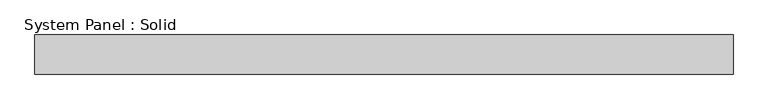
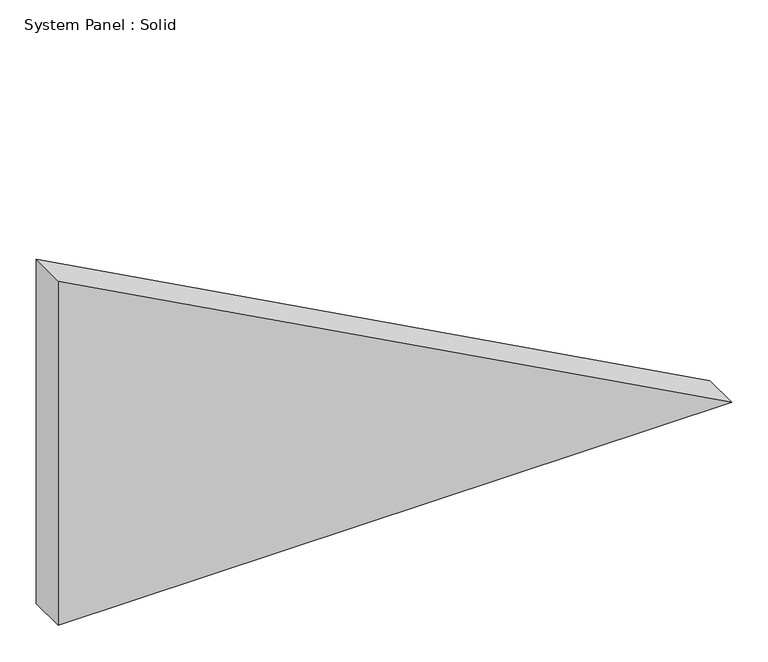
"""IFC4 building model written with IfcOpenShell, lengths in millimetres: plate geometry, System Panel : Solid."""

from ifc_helpers import new_model, si_unit, frame, origin, place, context, project, spatial, polyline, outline, extrude, source, transform, mapped, element, save


def system_panel_solid_7b0a3117(model_context):
    return source(origin(), model_context, "Body", "SweptSolid", [
        extrude(outline(polyline([(0.0, -535.7573723), (0.0, 535.7573723), (579.2871067, -535.7573723), (0.0, -535.7573723)])), frame((0.0, -10.5, 0.0), z_axis=(0.0, 1.0, 0.0), x_axis=(0.0, 0.0, 1.0)), (0.0, 0.0, 1.0), 60.0),
    ])


if __name__ == "__main__":
    model = new_model("IFC4")
    model_context = context("Model", 3, world=origin())
    ifc_project = project(units=[si_unit("LENGTHUNIT", "METRE", prefix="MILLI")], contexts=[model_context])
    site = spatial("IfcSite", under=ifc_project)
    building = spatial("IfcBuilding", under=site)
    placement = place(None, origin())
    system_panel_solid_shape = system_panel_solid_7b0a3117(model_context)
    element("IfcPlate", 1, ObjectType="System Panel : Solid", at=placement, inside=building, context=model_context, shape_type="MappedRepresentation", body=[
        mapped(system_panel_solid_shape, transform((0.0, 0.0, 0.0), x_axis=(1.0, 0.0, 0.0), y_axis=(0.0, 1.0, 0.0), z_axis=(0.0, 0.0, 1.0))),
    ])
    save(model, "model.ifc")
